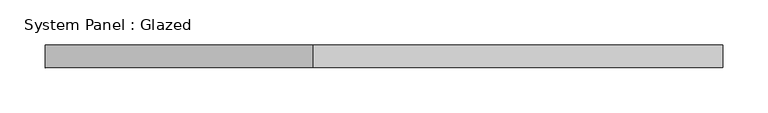
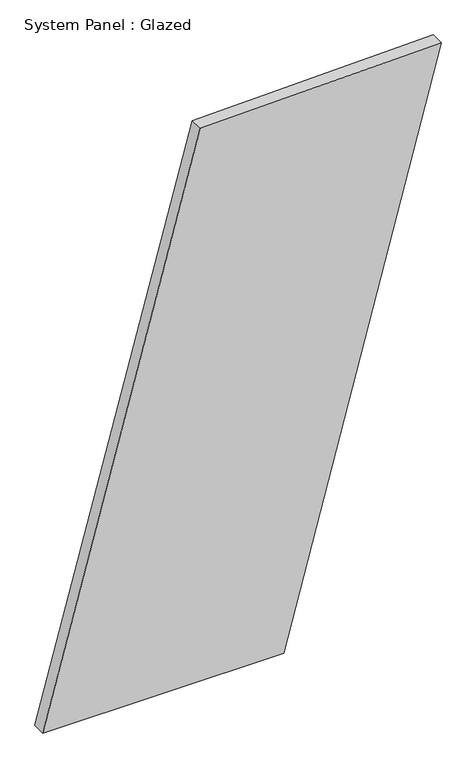
"""IFC4 building model written with IfcOpenShell, lengths in millimetres: plate geometry, System Panel : Glazed."""

from ifc_helpers import new_model, si_unit, frame, origin, place, context, project, spatial, polyline, outline, extrude, source, transform, mapped, element, save


def system_panel_glazed_551580aa(model_context):
    return source(origin(), model_context, "Body", "SweptSolid", [
        extrude(outline(polyline([(0.0, -374.1453808), (0.0, 78.6976427), (1109.2103033, 374.1453808), (1097.1931945, -78.1609499), (0.0, -374.1453808)])), frame((0.0, -49.5, 0.0), z_axis=(0.0, 1.0, 0.0), x_axis=(0.0, 0.0, 1.0)), (0.0, 0.0, 1.0), 25.0),
    ])


if __name__ == "__main__":
    model = new_model("IFC4")
    model_context = context("Model", 3, world=origin())
    ifc_project = project(units=[si_unit("LENGTHUNIT", "METRE", prefix="MILLI")], contexts=[model_context])
    site = spatial("IfcSite", under=ifc_project)
    building = spatial("IfcBuilding", under=site)
    placement = place(None, origin())
    system_panel_glazed_shape = system_panel_glazed_551580aa(model_context)
    element("IfcPlate", 1, ObjectType="System Panel : Glazed", at=placement, inside=building, context=model_context, shape_type="MappedRepresentation", body=[
        mapped(system_panel_glazed_shape, transform((0.0, 0.0, 0.0), x_axis=(1.0, 0.0, 0.0), y_axis=(0.0, 1.0, 0.0), z_axis=(0.0, 0.0, 1.0))),
    ])
    save(model, "model.ifc")
